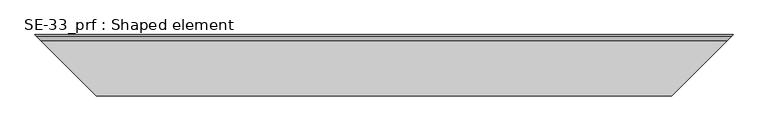
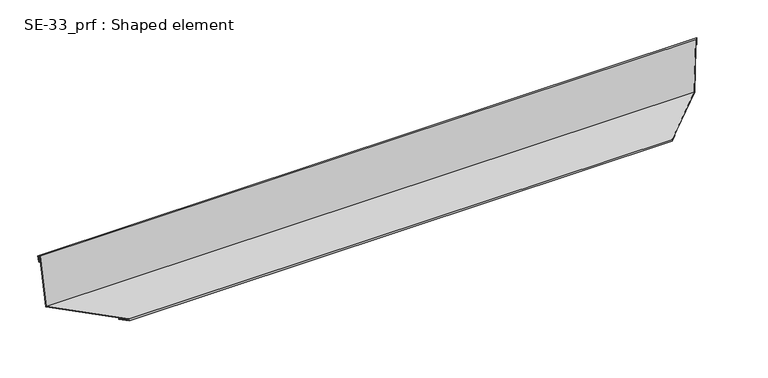
"""IFC4 building model written with IfcOpenShell, lengths in millimetres: proxy geometry, SE-33_prf : Shaped element."""

from ifc_helpers import new_model, si_unit, origin, place, context, project, spatial, faceted_brep, source, transform, mapped, element, save


def se_33_prf_shaped_element_2a42d406(model_context):
    return source(origin(), model_context, "Body", "Brep", [
        faceted_brep([(85.5530626, -85.5530626, 2.0), (75.5530626, -75.5530626, 2.0), (924.4469374, -75.5530626, 2.0), (914.4469374, -85.5530626, 2.0), (85.5530626, -85.5530626, 5.0), (914.4469374, -85.5530626, 5.0), (5.5530626, -5.5530626, 5.0), (994.4469374, -5.5530626, 5.0), (0.0, 0.0, 84.5617516), (1000.0, 0.0, 84.5617516), (0.0, 0.0, 70.1993516), (4.6204254, -4.6204254, 4.0), (84.5530626, -84.5530626, 4.0), (84.5530626, -84.5530626, 3.0), (75.5530626, -75.5530626, 3.0), (1000.0, 0.0, 70.1993516), (924.4469374, -75.5530626, 3.0), (915.4469374, -84.5530626, 3.0), (915.4469374, -84.5530626, 4.0), (995.3795746, -4.6204254, 4.0), (-2.9927194, 2.9927194, 84.3528729), (1002.9927194, 2.9927194, 84.3528729), (-2.296457, 2.296457, 74.3771414), (1002.296457, 2.296457, 74.3771414), (-1.2988838, 1.2988838, 74.4467677), (1001.2988838, 1.2988838, 74.4467677), (-1.92552, 1.92552, 83.424926), (1001.92552, 1.92552, 83.424926), (-0.9279469, 0.9279469, 83.4945522), (1000.9279469, 0.9279469, 83.4945522)], [[[0, 1, 2, 3]], [[4, 0, 3, 5]], [[6, 4, 5, 7]], [[8, 6, 7, 9]], [[8, 10, 11, 12, 13, 14, 1, 0, 4, 6]], [[15, 9, 7, 5, 3, 2, 16, 17, 18, 19]], [[20, 8, 9, 21]], [[22, 20, 21, 23]], [[24, 22, 23, 25]], [[26, 24, 25, 27]], [[28, 26, 27, 29]], [[11, 10, 28, 29, 15, 19]], [[12, 11, 19, 18]], [[13, 12, 18, 17]], [[14, 13, 17, 16]], [[1, 14, 16, 2]], [[10, 8, 20, 22, 24, 26, 28]], [[9, 15, 29, 27, 25, 23, 21]]]),
    ])


if __name__ == "__main__":
    model = new_model("IFC4")
    model_context = context("Model", 3, world=origin())
    ifc_project = project(units=[si_unit("LENGTHUNIT", "METRE", prefix="MILLI")], contexts=[model_context])
    site = spatial("IfcSite", under=ifc_project)
    building = spatial("IfcBuilding", under=site)
    placement = place(None, origin())
    se_33_prf_shaped_element_shape = se_33_prf_shaped_element_2a42d406(model_context)
    element("IfcBuildingElementProxy", 1, Name="SE-33_prf : Shaped element", ObjectType="SE-33_prf : Shaped element", at=placement, inside=building, context=model_context, shape_type="MappedRepresentation", body=[
        mapped(se_33_prf_shaped_element_shape, transform((0.0, 0.0, 0.0), x_axis=(1.0, 0.0, 0.0), y_axis=(0.0, 1.0, 0.0), z_axis=(0.0, 0.0, 1.0))),
    ])
    save(model, "model.ifc")
